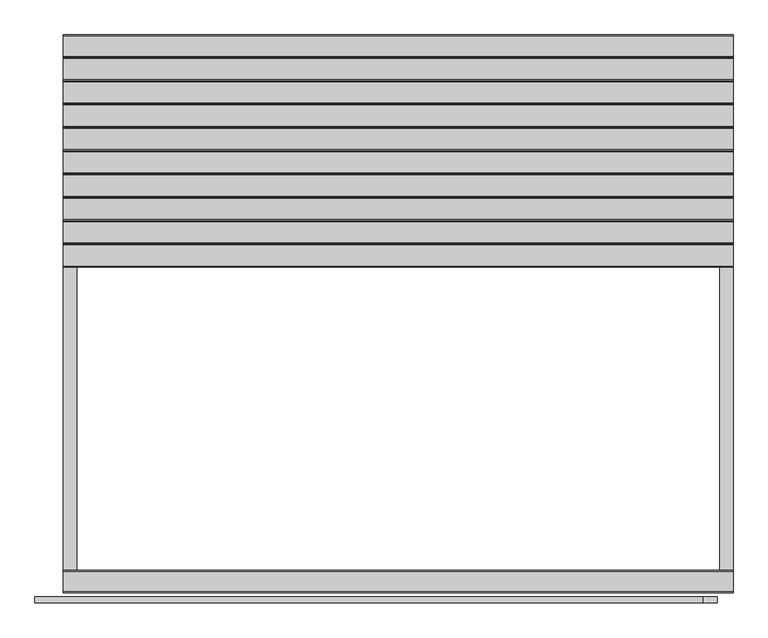
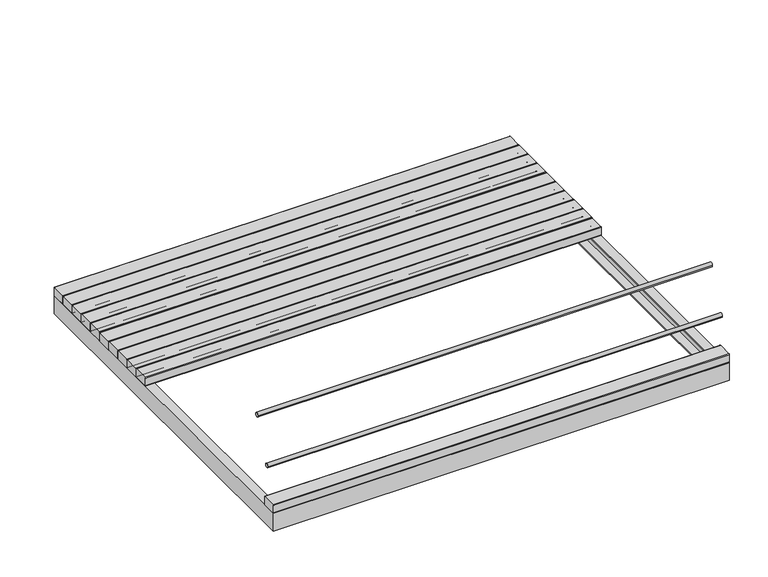
"""IFC4 building model written with IfcOpenShell, lengths in millimetres: furniture geometry."""

from ifc_helpers import new_model, si_unit, point, frame, frame_2d, origin, place, context, project, spatial, circle_curve, trimmed, segment, composite_curve, outline, extrude, faceted_brep, source, transform, mapped, element, save
from ifc_brep_helpers import plane_surface, cylinder_surface, advanced_brep


def furniture_2ef16d3e(model_context):
    return source(origin(), model_context, "Body", "SolidModel", [
        advanced_brep(
        [(1199.9999759, 170.2169348, 172.8), (1199.9999759, 167.2169348, 169.8), (1199.9999759, 167.2169348, 128.3), (1199.9999759, 170.2169348, 125.3), (1199.9999759, 247.7883957, 125.3), (1199.9999759, 250.7821522, 128.2937565), (1199.9999759, 250.7821522, 169.8), (1199.9999759, 247.7821522, 172.8), (-1199.9998, 170.2169348, 172.8), (-1199.9998, 247.7821522, 172.8), (-1199.9998, 250.7821522, 169.8), (-1199.9998, 250.7821522, 128.2937565), (-1199.9998, 247.7883957, 125.3), (-1199.9998, 170.2169348, 125.3), (-1199.9998, 167.2169348, 128.3), (-1199.9998, 167.2169348, 169.8), (-1149.9999759, 170.2169348, 125.3), (1149.9999759, 170.2169348, 125.3), (-1149.9999759, 247.7883957, 125.3), (1149.9999759, 247.7883957, 125.3)],
        [
            (0, 1, circle_curve(frame((1199.9999759, 170.2169348, 169.8), z_axis=(1.0, 0.0, 0.0), x_axis=(0.0, -1.0, 0.0)), 3.0)),
            (1, 2),
            (2, 3, circle_curve(frame((1199.9999759, 170.2169348, 128.3), z_axis=(1.0, 0.0, 0.0), x_axis=(0.0, -1.0, 0.0)), 3.0)),
            (3, 4),
            (4, 5, circle_curve(frame((1199.9999759, 247.7883957, 128.2937565), z_axis=(1.0, 0.0, 0.0), x_axis=(0.0, -1.0, 0.0)), 2.9937565)),
            (5, 6),
            (6, 7, circle_curve(frame((1199.9999759, 247.7821522, 169.8), z_axis=(1.0, 0.0, 0.0), x_axis=(0.0, -1.0, 0.0)), 3.0)),
            (7, 0),
            (8, 9),
            (9, 10, circle_curve(frame((-1199.9998, 247.7821522, 169.8), z_axis=(-1.0, 0.0, 0.0), x_axis=(0.0, -1.0, 0.0)), 3.0)),
            (10, 11),
            (11, 12, circle_curve(frame((-1199.9998, 247.7883957, 128.2937565), z_axis=(-1.0, 0.0, 0.0), x_axis=(0.0, -1.0, 0.0)), 2.9937565)),
            (12, 13),
            (13, 14, circle_curve(frame((-1199.9998, 170.2169348, 128.3), z_axis=(-1.0, 0.0, 0.0), x_axis=(0.0, -1.0, 0.0)), 3.0)),
            (14, 15),
            (15, 8, circle_curve(frame((-1199.9998, 170.2169348, 169.8), z_axis=(-1.0, 0.0, 0.0), x_axis=(0.0, -1.0, 0.0)), 3.0)),
            (0, 8),
            (15, 1),
            (14, 2),
            (13, 16),
            (16, 17),
            (17, 3),
            (12, 18),
            (18, 19),
            (19, 4),
            (11, 5),
            (10, 6),
            (9, 7),
        ],
        [
            plane_surface(frame((1199.9999759, 167.2169348, 169.8), z_axis=(1.0, 0.0, 0.0), x_axis=(0.0, 0.0, -1.0))),
            plane_surface(frame((-1199.9998, 167.2169348, 169.8), z_axis=(-1.0, 0.0, 0.0), x_axis=(0.0, 0.0, 1.0))),
            cylinder_surface(frame((-1199.9998, 170.2169348, 169.8), z_axis=(1.0, 0.0, 0.0), x_axis=(0.0, -1.0, 0.0)), 3.0),
            plane_surface(frame((1199.9999759, 167.2169348, 169.8), z_axis=(0.0, -1.0, 0.0), x_axis=(-1.0, 0.0, 0.0))),
            cylinder_surface(frame((-1199.9998, 170.2169348, 128.3), z_axis=(1.0, 0.0, 0.0), x_axis=(0.0, -1.0, 0.0)), 3.0),
            plane_surface(frame((1199.9999759, 170.2169348, 125.3), z_axis=(0.0, 0.0, -1.0), x_axis=(-1.0, 0.0, 0.0))),
            cylinder_surface(frame((-1199.9998, 247.7883957, 128.2937565), z_axis=(1.0, 0.0, 0.0), x_axis=(0.0, -1.0, 0.0)), 2.9937565),
            plane_surface(frame((1199.9999759, 250.7821522, 128.2937565), z_axis=(0.0, 1.0, 0.0), x_axis=(-1.0, 0.0, 0.0))),
            cylinder_surface(frame((-1199.9998, 247.7821522, 169.8), z_axis=(1.0, 0.0, 0.0), x_axis=(0.0, -1.0, 0.0)), 3.0),
            plane_surface(frame((1199.9999759, 247.7821522, 172.8), z_axis=(0.0, 0.0, 1.0), x_axis=(-1.0, 0.0, 0.0))),
        ],
        [
            (0, [[1, 2, 3, 4, 5, 6, 7, 8]]),
            (1, [[9, 10, 11, 12, 13, 14, 15, 16]]),
            (2, [[-1, 17, -16, 18]]),
            (3, [[-2, -18, -15, 19]]),
            (4, [[-3, -19, -14, 20, 21, 22]]),
            (5, [[-4, -22, -21, -20, -13, 23, 24, 25]]),
            (6, [[-5, -25, -24, -23, -12, 26]]),
            (7, [[-6, -26, -11, 27]]),
            (8, [[-7, -27, -10, 28]]),
            (9, [[-8, -28, -9, -17]]),
        ],
    ),
        advanced_brep(
        [(1199.9999759, 253.7821522, 172.8), (1199.9999759, 250.7821522, 169.8), (1199.9999759, 250.7821522, 128.3), (1199.9999759, 253.7821522, 125.3), (1199.9999759, 331.3536131, 125.3), (1199.9999759, 334.3473696, 128.2937565), (1199.9999759, 334.3473696, 169.8), (1199.9999759, 331.3473696, 172.8), (-1199.9998, 253.7821522, 172.8), (-1199.9998, 331.3473696, 172.8), (-1199.9998, 334.3473696, 169.8), (-1199.9998, 334.3473696, 128.2937565), (-1199.9998, 331.3536131, 125.3), (-1199.9998, 253.7821522, 125.3), (-1199.9998, 250.7821522, 128.3), (-1199.9998, 250.7821522, 169.8), (-1149.9999759, 253.7821522, 125.3), (1149.9999759, 253.7821522, 125.3), (-1149.9999759, 331.3536131, 125.3), (1149.9999759, 331.3536131, 125.3)],
        [
            (0, 1, circle_curve(frame((1199.9999759, 253.7821522, 169.8), z_axis=(1.0, 0.0, 0.0), x_axis=(0.0, -1.0, 0.0)), 3.0)),
            (1, 2),
            (2, 3, circle_curve(frame((1199.9999759, 253.7821522, 128.3), z_axis=(1.0, 0.0, 0.0), x_axis=(0.0, -1.0, 0.0)), 3.0)),
            (3, 4),
            (4, 5, circle_curve(frame((1199.9999759, 331.3536131, 128.2937565), z_axis=(1.0, 0.0, 0.0), x_axis=(0.0, -1.0, 0.0)), 2.9937565)),
            (5, 6),
            (6, 7, circle_curve(frame((1199.9999759, 331.3473696, 169.8), z_axis=(1.0, 0.0, 0.0), x_axis=(0.0, -1.0, 0.0)), 3.0)),
            (7, 0),
            (8, 9),
            (9, 10, circle_curve(frame((-1199.9998, 331.3473696, 169.8), z_axis=(-1.0, 0.0, 0.0), x_axis=(0.0, -1.0, 0.0)), 3.0)),
            (10, 11),
            (11, 12, circle_curve(frame((-1199.9998, 331.3536131, 128.2937565), z_axis=(-1.0, 0.0, 0.0), x_axis=(0.0, -1.0, 0.0)), 2.9937565)),
            (12, 13),
            (13, 14, circle_curve(frame((-1199.9998, 253.7821522, 128.3), z_axis=(-1.0, 0.0, 0.0), x_axis=(0.0, -1.0, 0.0)), 3.0)),
            (14, 15),
            (15, 8, circle_curve(frame((-1199.9998, 253.7821522, 169.8), z_axis=(-1.0, 0.0, 0.0), x_axis=(0.0, -1.0, 0.0)), 3.0)),
            (0, 8),
            (15, 1),
            (14, 2),
            (13, 16),
            (16, 17),
            (17, 3),
            (12, 18),
            (18, 19),
            (19, 4),
            (11, 5),
            (10, 6),
            (9, 7),
        ],
        [
            plane_surface(frame((1199.9999759, 250.7821522, 169.8), z_axis=(1.0, 0.0, 0.0), x_axis=(0.0, 0.0, -1.0))),
            plane_surface(frame((-1199.9998, 250.7821522, 169.8), z_axis=(-1.0, 0.0, 0.0), x_axis=(0.0, 0.0, 1.0))),
            cylinder_surface(frame((-1199.9998, 253.7821522, 169.8), z_axis=(1.0, 0.0, 0.0), x_axis=(0.0, -1.0, 0.0)), 3.0),
            plane_surface(frame((1199.9999759, 250.7821522, 169.8), z_axis=(0.0, -1.0, 0.0), x_axis=(-1.0, 0.0, 0.0))),
            cylinder_surface(frame((-1199.9998, 253.7821522, 128.3), z_axis=(1.0, 0.0, 0.0), x_axis=(0.0, -1.0, 0.0)), 3.0),
            plane_surface(frame((1199.9999759, 253.7821522, 125.3), z_axis=(0.0, 0.0, -1.0), x_axis=(-1.0, 0.0, 0.0))),
            cylinder_surface(frame((-1199.9998, 331.3536131, 128.2937565), z_axis=(1.0, 0.0, 0.0), x_axis=(0.0, -1.0, 0.0)), 2.9937565),
            plane_surface(frame((1199.9999759, 334.3473696, 128.2937565), z_axis=(0.0, 1.0, 0.0), x_axis=(-1.0, 0.0, 0.0))),
            cylinder_surface(frame((-1199.9998, 331.3473696, 169.8), z_axis=(1.0, 0.0, 0.0), x_axis=(0.0, -1.0, 0.0)), 3.0),
            plane_surface(frame((1199.9999759, 331.3473696, 172.8), z_axis=(0.0, 0.0, 1.0), x_axis=(-1.0, 0.0, 0.0))),
        ],
        [
            (0, [[1, 2, 3, 4, 5, 6, 7, 8]]),
            (1, [[9, 10, 11, 12, 13, 14, 15, 16]]),
            (2, [[-1, 17, -16, 18]]),
            (3, [[-2, -18, -15, 19]]),
            (4, [[-3, -19, -14, 20, 21, 22]]),
            (5, [[-4, -22, -21, -20, -13, 23, 24, 25]]),
            (6, [[-5, -25, -24, -23, -12, 26]]),
            (7, [[-6, -26, -11, 27]]),
            (8, [[-7, -27, -10, 28]]),
            (9, [[-8, -28, -9, -17]]),
        ],
    ),
        advanced_brep(
        [(1199.9999759, 337.3473696, 172.8), (1199.9999759, 334.3473696, 169.8), (1199.9999759, 334.3473696, 128.3), (1199.9999759, 337.3473696, 125.3), (1199.9999759, 414.9188305, 125.3), (1199.9999759, 417.912587, 128.2937565), (1199.9999759, 417.912587, 169.8), (1199.9999759, 414.912587, 172.8), (-1199.9998, 337.3473696, 172.8), (-1199.9998, 414.912587, 172.8), (-1199.9998, 417.912587, 169.8), (-1199.9998, 417.912587, 128.2937565), (-1199.9998, 414.9188305, 125.3), (-1199.9998, 337.3473696, 125.3), (-1199.9998, 334.3473696, 128.3), (-1199.9998, 334.3473696, 169.8), (-1149.9999759, 337.3473696, 125.3), (1149.9999759, 337.3473696, 125.3), (-1149.9999759, 414.9188305, 125.3), (1149.9999759, 414.9188305, 125.3)],
        [
            (0, 1, circle_curve(frame((1199.9999759, 337.3473696, 169.8), z_axis=(1.0, 0.0, 0.0), x_axis=(0.0, -1.0, 0.0)), 3.0)),
            (1, 2),
            (2, 3, circle_curve(frame((1199.9999759, 337.3473696, 128.3), z_axis=(1.0, 0.0, 0.0), x_axis=(0.0, -1.0, 0.0)), 3.0)),
            (3, 4),
            (4, 5, circle_curve(frame((1199.9999759, 414.9188305, 128.2937565), z_axis=(1.0, 0.0, 0.0), x_axis=(0.0, -1.0, 0.0)), 2.9937565)),
            (5, 6),
            (6, 7, circle_curve(frame((1199.9999759, 414.912587, 169.8), z_axis=(1.0, 0.0, 0.0), x_axis=(0.0, -1.0, 0.0)), 3.0)),
            (7, 0),
            (8, 9),
            (9, 10, circle_curve(frame((-1199.9998, 414.912587, 169.8), z_axis=(-1.0, 0.0, 0.0), x_axis=(0.0, -1.0, 0.0)), 3.0)),
            (10, 11),
            (11, 12, circle_curve(frame((-1199.9998, 414.9188305, 128.2937565), z_axis=(-1.0, 0.0, 0.0), x_axis=(0.0, -1.0, 0.0)), 2.9937565)),
            (12, 13),
            (13, 14, circle_curve(frame((-1199.9998, 337.3473696, 128.3), z_axis=(-1.0, 0.0, 0.0), x_axis=(0.0, -1.0, 0.0)), 3.0)),
            (14, 15),
            (15, 8, circle_curve(frame((-1199.9998, 337.3473696, 169.8), z_axis=(-1.0, 0.0, 0.0), x_axis=(0.0, -1.0, 0.0)), 3.0)),
            (0, 8),
            (15, 1),
            (14, 2),
            (13, 16),
            (16, 17),
            (17, 3),
            (12, 18),
            (18, 19),
            (19, 4),
            (11, 5),
            (10, 6),
            (9, 7),
        ],
        [
            plane_surface(frame((1199.9999759, 334.3473696, 169.8), z_axis=(1.0, 0.0, 0.0), x_axis=(0.0, 0.0, -1.0))),
            plane_surface(frame((-1199.9998, 334.3473696, 169.8), z_axis=(-1.0, 0.0, 0.0), x_axis=(0.0, 0.0, 1.0))),
            cylinder_surface(frame((-1199.9998, 337.3473696, 169.8), z_axis=(1.0, 0.0, 0.0), x_axis=(0.0, -1.0, 0.0)), 3.0),
            plane_surface(frame((1199.9999759, 334.3473696, 169.8), z_axis=(0.0, -1.0, 0.0), x_axis=(-1.0, 0.0, 0.0))),
            cylinder_surface(frame((-1199.9998, 337.3473696, 128.3), z_axis=(1.0, 0.0, 0.0), x_axis=(0.0, -1.0, 0.0)), 3.0),
            plane_surface(frame((1199.9999759, 337.3473696, 125.3), z_axis=(0.0, 0.0, -1.0), x_axis=(-1.0, 0.0, 0.0))),
            cylinder_surface(frame((-1199.9998, 414.9188305, 128.2937565), z_axis=(1.0, 0.0, 0.0), x_axis=(0.0, -1.0, 0.0)), 2.9937565),
            plane_surface(frame((1199.9999759, 417.912587, 128.2937565), z_axis=(0.0, 1.0, 0.0), x_axis=(-1.0, 0.0, 0.0))),
            cylinder_surface(frame((-1199.9998, 414.912587, 169.8), z_axis=(1.0, 0.0, 0.0), x_axis=(0.0, -1.0, 0.0)), 3.0),
            plane_surface(frame((1199.9999759, 414.912587, 172.8), z_axis=(0.0, 0.0, 1.0), x_axis=(-1.0, 0.0, 0.0))),
        ],
        [
            (0, [[1, 2, 3, 4, 5, 6, 7, 8]]),
            (1, [[9, 10, 11, 12, 13, 14, 15, 16]]),
            (2, [[-1, 17, -16, 18]]),
            (3, [[-2, -18, -15, 19]]),
            (4, [[-3, -19, -14, 20, 21, 22]]),
            (5, [[-4, -22, -21, -20, -13, 23, 24, 25]]),
            (6, [[-5, -25, -24, -23, -12, 26]]),
            (7, [[-6, -26, -11, 27]]),
            (8, [[-7, -27, -10, 28]]),
            (9, [[-8, -28, -9, -17]]),
        ],
    ),
        advanced_brep(
        [(1199.9999759, 420.912587, 172.8), (1199.9999759, 417.912587, 169.8), (1199.9999759, 417.912587, 128.3), (1199.9999759, 420.912587, 125.3), (1199.9999759, 498.4840479, 125.3), (1199.9999759, 501.4778043, 128.2937565), (1199.9999759, 501.4778043, 169.8), (1199.9999759, 498.4778043, 172.8), (-1199.9998, 420.912587, 172.8), (-1199.9998, 498.4778043, 172.8), (-1199.9998, 501.4778043, 169.8), (-1199.9998, 501.4778043, 128.2937565), (-1199.9998, 498.4840479, 125.3), (-1199.9998, 420.912587, 125.3), (-1199.9998, 417.912587, 128.3), (-1199.9998, 417.912587, 169.8), (-1149.9999759, 420.912587, 125.3), (1149.9999759, 420.912587, 125.3), (-1149.9999759, 498.4840479, 125.3), (1149.9999759, 498.4840479, 125.3)],
        [
            (0, 1, circle_curve(frame((1199.9999759, 420.912587, 169.8), z_axis=(1.0, 0.0, 0.0), x_axis=(0.0, -1.0, 0.0)), 3.0)),
            (1, 2),
            (2, 3, circle_curve(frame((1199.9999759, 420.912587, 128.3), z_axis=(1.0, 0.0, 0.0), x_axis=(0.0, -1.0, 0.0)), 3.0)),
            (3, 4),
            (4, 5, circle_curve(frame((1199.9999759, 498.4840479, 128.2937565), z_axis=(1.0, 0.0, 0.0), x_axis=(0.0, -1.0, 0.0)), 2.9937565)),
            (5, 6),
            (6, 7, circle_curve(frame((1199.9999759, 498.4778043, 169.8), z_axis=(1.0, 0.0, 0.0), x_axis=(0.0, -1.0, 0.0)), 3.0)),
            (7, 0),
            (8, 9),
            (9, 10, circle_curve(frame((-1199.9998, 498.4778043, 169.8), z_axis=(-1.0, 0.0, 0.0), x_axis=(0.0, -1.0, 0.0)), 3.0)),
            (10, 11),
            (11, 12, circle_curve(frame((-1199.9998, 498.4840479, 128.2937565), z_axis=(-1.0, 0.0, 0.0), x_axis=(0.0, -1.0, 0.0)), 2.9937565)),
            (12, 13),
            (13, 14, circle_curve(frame((-1199.9998, 420.912587, 128.3), z_axis=(-1.0, 0.0, 0.0), x_axis=(0.0, -1.0, 0.0)), 3.0)),
            (14, 15),
            (15, 8, circle_curve(frame((-1199.9998, 420.912587, 169.8), z_axis=(-1.0, 0.0, 0.0), x_axis=(0.0, -1.0, 0.0)), 3.0)),
            (0, 8),
            (15, 1),
            (14, 2),
            (13, 16),
            (16, 17),
            (17, 3),
            (12, 18),
            (18, 19),
            (19, 4),
            (11, 5),
            (10, 6),
            (9, 7),
        ],
        [
            plane_surface(frame((1199.9999759, 417.912587, 169.8), z_axis=(1.0, 0.0, 0.0), x_axis=(0.0, 0.0, -1.0))),
            plane_surface(frame((-1199.9998, 417.912587, 169.8), z_axis=(-1.0, 0.0, 0.0), x_axis=(0.0, 0.0, 1.0))),
            cylinder_surface(frame((-1199.9998, 420.912587, 169.8), z_axis=(1.0, 0.0, 0.0), x_axis=(0.0, -1.0, 0.0)), 3.0),
            plane_surface(frame((1199.9999759, 417.912587, 169.8), z_axis=(0.0, -1.0, 0.0), x_axis=(-1.0, 0.0, 0.0))),
            cylinder_surface(frame((-1199.9998, 420.912587, 128.3), z_axis=(1.0, 0.0, 0.0), x_axis=(0.0, -1.0, 0.0)), 3.0),
            plane_surface(frame((1199.9999759, 420.912587, 125.3), z_axis=(0.0, 0.0, -1.0), x_axis=(-1.0, 0.0, 0.0))),
            cylinder_surface(frame((-1199.9998, 498.4840479, 128.2937565), z_axis=(1.0, 0.0, 0.0), x_axis=(0.0, -1.0, 0.0)), 2.9937565),
            plane_surface(frame((1199.9999759, 501.4778043, 128.2937565), z_axis=(0.0, 1.0, 0.0), x_axis=(-1.0, 0.0, 0.0))),
            cylinder_surface(frame((-1199.9998, 498.4778043, 169.8), z_axis=(1.0, 0.0, 0.0), x_axis=(0.0, -1.0, 0.0)), 3.0),
            plane_surface(frame((1199.9999759, 498.4778043, 172.8), z_axis=(0.0, 0.0, 1.0), x_axis=(-1.0, 0.0, 0.0))),
        ],
        [
            (0, [[1, 2, 3, 4, 5, 6, 7, 8]]),
            (1, [[9, 10, 11, 12, 13, 14, 15, 16]]),
            (2, [[-1, 17, -16, 18]]),
            (3, [[-2, -18, -15, 19]]),
            (4, [[-3, -19, -14, 20, 21, 22]]),
            (5, [[-4, -22, -21, -20, -13, 23, 24, 25]]),
            (6, [[-5, -25, -24, -23, -12, 26]]),
            (7, [[-6, -26, -11, 27]]),
            (8, [[-7, -27, -10, 28]]),
            (9, [[-8, -28, -9, -17]]),
        ],
    ),
        advanced_brep(
        [(1199.9999759, 504.4778043, 172.8), (1199.9999759, 501.4778043, 169.8), (1199.9999759, 501.4778043, 128.3), (1199.9999759, 504.4778043, 125.3), (1199.9999759, 582.0492653, 125.3), (1199.9999759, 585.0430217, 128.2937565), (1199.9999759, 585.0430217, 169.8), (1199.9999759, 582.0430217, 172.8), (-1199.9998, 504.4778043, 172.8), (-1199.9998, 582.0430217, 172.8), (-1199.9998, 585.0430217, 169.8), (-1199.9998, 585.0430217, 128.2937565), (-1199.9998, 582.0492653, 125.3), (-1199.9998, 504.4778043, 125.3), (-1199.9998, 501.4778043, 128.3), (-1199.9998, 501.4778043, 169.8), (-1149.9999759, 504.4778043, 125.3), (1149.9999759, 504.4778043, 125.3), (-1149.9999759, 582.0492653, 125.3), (1149.9999759, 582.0492653, 125.3)],
        [
            (0, 1, circle_curve(frame((1199.9999759, 504.4778043, 169.8), z_axis=(1.0, 0.0, 0.0), x_axis=(0.0, -1.0, 0.0)), 3.0)),
            (1, 2),
            (2, 3, circle_curve(frame((1199.9999759, 504.4778043, 128.3), z_axis=(1.0, 0.0, 0.0), x_axis=(0.0, -1.0, 0.0)), 3.0)),
            (3, 4),
            (4, 5, circle_curve(frame((1199.9999759, 582.0492653, 128.2937565), z_axis=(1.0, 0.0, 0.0), x_axis=(0.0, -1.0, 0.0)), 2.9937565)),
            (5, 6),
            (6, 7, circle_curve(frame((1199.9999759, 582.0430217, 169.8), z_axis=(1.0, 0.0, 0.0), x_axis=(0.0, -1.0, 0.0)), 3.0)),
            (7, 0),
            (8, 9),
            (9, 10, circle_curve(frame((-1199.9998, 582.0430217, 169.8), z_axis=(-1.0, 0.0, 0.0), x_axis=(0.0, -1.0, 0.0)), 3.0)),
            (10, 11),
            (11, 12, circle_curve(frame((-1199.9998, 582.0492653, 128.2937565), z_axis=(-1.0, 0.0, 0.0), x_axis=(0.0, -1.0, 0.0)), 2.9937565)),
            (12, 13),
            (13, 14, circle_curve(frame((-1199.9998, 504.4778043, 128.3), z_axis=(-1.0, 0.0, 0.0), x_axis=(0.0, -1.0, 0.0)), 3.0)),
            (14, 15),
            (15, 8, circle_curve(frame((-1199.9998, 504.4778043, 169.8), z_axis=(-1.0, 0.0, 0.0), x_axis=(0.0, -1.0, 0.0)), 3.0)),
            (0, 8),
            (15, 1),
            (14, 2),
            (13, 16),
            (16, 17),
            (17, 3),
            (12, 18),
            (18, 19),
            (19, 4),
            (11, 5),
            (10, 6),
            (9, 7),
        ],
        [
            plane_surface(frame((1199.9999759, 501.4778043, 169.8), z_axis=(1.0, 0.0, 0.0), x_axis=(0.0, 0.0, -1.0))),
            plane_surface(frame((-1199.9998, 501.4778043, 169.8), z_axis=(-1.0, 0.0, 0.0), x_axis=(0.0, 0.0, 1.0))),
            cylinder_surface(frame((-1199.9998, 504.4778043, 169.8), z_axis=(1.0, 0.0, 0.0), x_axis=(0.0, -1.0, 0.0)), 3.0),
            plane_surface(frame((1199.9999759, 501.4778043, 169.8), z_axis=(0.0, -1.0, 0.0), x_axis=(-1.0, 0.0, 0.0))),
            cylinder_surface(frame((-1199.9998, 504.4778043, 128.3), z_axis=(1.0, 0.0, 0.0), x_axis=(0.0, -1.0, 0.0)), 3.0),
            plane_surface(frame((1199.9999759, 504.4778043, 125.3), z_axis=(0.0, 0.0, -1.0), x_axis=(-1.0, 0.0, 0.0))),
            cylinder_surface(frame((-1199.9998, 582.0492653, 128.2937565), z_axis=(1.0, 0.0, 0.0), x_axis=(0.0, -1.0, 0.0)), 2.9937565),
            plane_surface(frame((1199.9999759, 585.0430217, 128.2937565), z_axis=(0.0, 1.0, 0.0), x_axis=(-1.0, 0.0, 0.0))),
            cylinder_surface(frame((-1199.9998, 582.0430217, 169.8), z_axis=(1.0, 0.0, 0.0), x_axis=(0.0, -1.0, 0.0)), 3.0),
            plane_surface(frame((1199.9999759, 582.0430217, 172.8), z_axis=(0.0, 0.0, 1.0), x_axis=(-1.0, 0.0, 0.0))),
        ],
        [
            (0, [[1, 2, 3, 4, 5, 6, 7, 8]]),
            (1, [[9, 10, 11, 12, 13, 14, 15, 16]]),
            (2, [[-1, 17, -16, 18]]),
            (3, [[-2, -18, -15, 19]]),
            (4, [[-3, -19, -14, 20, 21, 22]]),
            (5, [[-4, -22, -21, -20, -13, 23, 24, 25]]),
            (6, [[-5, -25, -24, -23, -12, 26]]),
            (7, [[-6, -26, -11, 27]]),
            (8, [[-7, -27, -10, 28]]),
            (9, [[-8, -28, -9, -17]]),
        ],
    ),
        advanced_brep(
        [(1199.9999759, 588.0430217, 172.8), (1199.9999759, 585.0430217, 169.8), (1199.9999759, 585.0430217, 128.3), (1199.9999759, 588.0430217, 125.3), (1199.9999759, 665.6144826, 125.3), (1199.9999759, 668.6082391, 128.2937565), (1199.9999759, 668.6082391, 169.8), (1199.9999759, 665.6082391, 172.8), (-1199.9998, 588.0430217, 172.8), (-1199.9998, 665.6082391, 172.8), (-1199.9998, 668.6082391, 169.8), (-1199.9998, 668.6082391, 128.2937565), (-1199.9998, 665.6144826, 125.3), (-1199.9998, 588.0430217, 125.3), (-1199.9998, 585.0430217, 128.3), (-1199.9998, 585.0430217, 169.8), (-1149.9999759, 588.0430217, 125.3), (1149.9999759, 588.0430217, 125.3), (-1149.9999759, 665.6144826, 125.3), (1149.9999759, 665.6144826, 125.3)],
        [
            (0, 1, circle_curve(frame((1199.9999759, 588.0430217, 169.8), z_axis=(1.0, 0.0, 0.0), x_axis=(0.0, -1.0, 0.0)), 3.0)),
            (1, 2),
            (2, 3, circle_curve(frame((1199.9999759, 588.0430217, 128.3), z_axis=(1.0, 0.0, 0.0), x_axis=(0.0, -1.0, 0.0)), 3.0)),
            (3, 4),
            (4, 5, circle_curve(frame((1199.9999759, 665.6144826, 128.2937565), z_axis=(1.0, 0.0, 0.0), x_axis=(0.0, -1.0, 0.0)), 2.9937565)),
            (5, 6),
            (6, 7, circle_curve(frame((1199.9999759, 665.6082391, 169.8), z_axis=(1.0, 0.0, 0.0), x_axis=(0.0, -1.0, 0.0)), 3.0)),
            (7, 0),
            (8, 9),
            (9, 10, circle_curve(frame((-1199.9998, 665.6082391, 169.8), z_axis=(-1.0, 0.0, 0.0), x_axis=(0.0, -1.0, 0.0)), 3.0)),
            (10, 11),
            (11, 12, circle_curve(frame((-1199.9998, 665.6144826, 128.2937565), z_axis=(-1.0, 0.0, 0.0), x_axis=(0.0, -1.0, 0.0)), 2.9937565)),
            (12, 13),
            (13, 14, circle_curve(frame((-1199.9998, 588.0430217, 128.3), z_axis=(-1.0, 0.0, 0.0), x_axis=(0.0, -1.0, 0.0)), 3.0)),
            (14, 15),
            (15, 8, circle_curve(frame((-1199.9998, 588.0430217, 169.8), z_axis=(-1.0, 0.0, 0.0), x_axis=(0.0, -1.0, 0.0)), 3.0)),
            (0, 8),
            (15, 1),
            (14, 2),
            (13, 16),
            (16, 17),
            (17, 3),
            (12, 18),
            (18, 19),
            (19, 4),
            (11, 5),
            (10, 6),
            (9, 7),
        ],
        [
            plane_surface(frame((1199.9999759, 585.0430217, 169.8), z_axis=(1.0, 0.0, 0.0), x_axis=(0.0, 0.0, -1.0))),
            plane_surface(frame((-1199.9998, 585.0430217, 169.8), z_axis=(-1.0, 0.0, 0.0), x_axis=(0.0, 0.0, 1.0))),
            cylinder_surface(frame((-1199.9998, 588.0430217, 169.8), z_axis=(1.0, 0.0, 0.0), x_axis=(0.0, -1.0, 0.0)), 3.0),
            plane_surface(frame((1199.9999759, 585.0430217, 169.8), z_axis=(0.0, -1.0, 0.0), x_axis=(-1.0, 0.0, 0.0))),
            cylinder_surface(frame((-1199.9998, 588.0430217, 128.3), z_axis=(1.0, 0.0, 0.0), x_axis=(0.0, -1.0, 0.0)), 3.0),
            plane_surface(frame((1199.9999759, 588.0430217, 125.3), z_axis=(0.0, 0.0, -1.0), x_axis=(-1.0, 0.0, 0.0))),
            cylinder_surface(frame((-1199.9998, 665.6144826, 128.2937565), z_axis=(1.0, 0.0, 0.0), x_axis=(0.0, -1.0, 0.0)), 2.9937565),
            plane_surface(frame((1199.9999759, 668.6082391, 128.2937565), z_axis=(0.0, 1.0, 0.0), x_axis=(-1.0, 0.0, 0.0))),
            cylinder_surface(frame((-1199.9998, 665.6082391, 169.8), z_axis=(1.0, 0.0, 0.0), x_axis=(0.0, -1.0, 0.0)), 3.0),
            plane_surface(frame((1199.9999759, 665.6082391, 172.8), z_axis=(0.0, 0.0, 1.0), x_axis=(-1.0, 0.0, 0.0))),
        ],
        [
            (0, [[1, 2, 3, 4, 5, 6, 7, 8]]),
            (1, [[9, 10, 11, 12, 13, 14, 15, 16]]),
            (2, [[-1, 17, -16, 18]]),
            (3, [[-2, -18, -15, 19]]),
            (4, [[-3, -19, -14, 20, 21, 22]]),
            (5, [[-4, -22, -21, -20, -13, 23, 24, 25]]),
            (6, [[-5, -25, -24, -23, -12, 26]]),
            (7, [[-6, -26, -11, 27]]),
            (8, [[-7, -27, -10, 28]]),
            (9, [[-8, -28, -9, -17]]),
        ],
    ),
        advanced_brep(
        [(1199.9999759, 671.6082391, 172.8), (1199.9999759, 668.6082391, 169.8), (1199.9999759, 668.6082391, 128.3), (1199.9999759, 671.6082391, 125.3), (1199.9999759, 749.1797, 125.3), (1199.9999759, 752.1734565, 128.2937565), (1199.9999759, 752.1734565, 169.8), (1199.9999759, 749.1734565, 172.8), (-1199.9998, 671.6082391, 172.8), (-1199.9998, 749.1734565, 172.8), (-1199.9998, 752.1734565, 169.8), (-1199.9998, 752.1734565, 128.2937565), (-1199.9998, 749.1797, 125.3), (-1199.9998, 671.6082391, 125.3), (-1199.9998, 668.6082391, 128.3), (-1199.9998, 668.6082391, 169.8), (-1149.9999759, 671.6082391, 125.3), (1149.9999759, 671.6082391, 125.3), (-1149.9999759, 749.1797, 125.3), (1149.9999759, 749.1797, 125.3)],
        [
            (0, 1, circle_curve(frame((1199.9999759, 671.6082391, 169.8), z_axis=(1.0, 0.0, 0.0), x_axis=(0.0, -1.0, 0.0)), 3.0)),
            (1, 2),
            (2, 3, circle_curve(frame((1199.9999759, 671.6082391, 128.3), z_axis=(1.0, 0.0, 0.0), x_axis=(0.0, -1.0, 0.0)), 3.0)),
            (3, 4),
            (4, 5, circle_curve(frame((1199.9999759, 749.1797, 128.2937565), z_axis=(1.0, 0.0, 0.0), x_axis=(0.0, -1.0, 0.0)), 2.9937565)),
            (5, 6),
            (6, 7, circle_curve(frame((1199.9999759, 749.1734565, 169.8), z_axis=(1.0, 0.0, 0.0), x_axis=(0.0, -1.0, 0.0)), 3.0)),
            (7, 0),
            (8, 9),
            (9, 10, circle_curve(frame((-1199.9998, 749.1734565, 169.8), z_axis=(-1.0, 0.0, 0.0), x_axis=(0.0, -1.0, 0.0)), 3.0)),
            (10, 11),
            (11, 12, circle_curve(frame((-1199.9998, 749.1797, 128.2937565), z_axis=(-1.0, 0.0, 0.0), x_axis=(0.0, -1.0, 0.0)), 2.9937565)),
            (12, 13),
            (13, 14, circle_curve(frame((-1199.9998, 671.6082391, 128.3), z_axis=(-1.0, 0.0, 0.0), x_axis=(0.0, -1.0, 0.0)), 3.0)),
            (14, 15),
            (15, 8, circle_curve(frame((-1199.9998, 671.6082391, 169.8), z_axis=(-1.0, 0.0, 0.0), x_axis=(0.0, -1.0, 0.0)), 3.0)),
            (0, 8),
            (15, 1),
            (14, 2),
            (13, 16),
            (16, 17),
            (17, 3),
            (12, 18),
            (18, 19),
            (19, 4),
            (11, 5),
            (10, 6),
            (9, 7),
        ],
        [
            plane_surface(frame((1199.9999759, 668.6082391, 169.8), z_axis=(1.0, 0.0, 0.0), x_axis=(0.0, 0.0, -1.0))),
            plane_surface(frame((-1199.9998, 668.6082391, 169.8), z_axis=(-1.0, 0.0, 0.0), x_axis=(0.0, 0.0, 1.0))),
            cylinder_surface(frame((-1199.9998, 671.6082391, 169.8), z_axis=(1.0, 0.0, 0.0), x_axis=(0.0, -1.0, 0.0)), 3.0),
            plane_surface(frame((1199.9999759, 668.6082391, 169.8), z_axis=(0.0, -1.0, 0.0), x_axis=(-1.0, 0.0, 0.0))),
            cylinder_surface(frame((-1199.9998, 671.6082391, 128.3), z_axis=(1.0, 0.0, 0.0), x_axis=(0.0, -1.0, 0.0)), 3.0),
            plane_surface(frame((1199.9999759, 671.6082391, 125.3), z_axis=(0.0, 0.0, -1.0), x_axis=(-1.0, 0.0, 0.0))),
            cylinder_surface(frame((-1199.9998, 749.1797, 128.2937565), z_axis=(1.0, 0.0, 0.0), x_axis=(0.0, -1.0, 0.0)), 2.9937565),
            plane_surface(frame((1199.9999759, 752.1734565, 128.2937565), z_axis=(0.0, 1.0, 0.0), x_axis=(-1.0, 0.0, 0.0))),
            cylinder_surface(frame((-1199.9998, 749.1734565, 169.8), z_axis=(1.0, 0.0, 0.0), x_axis=(0.0, -1.0, 0.0)), 3.0),
            plane_surface(frame((1199.9999759, 749.1734565, 172.8), z_axis=(0.0, 0.0, 1.0), x_axis=(-1.0, 0.0, 0.0))),
        ],
        [
            (0, [[1, 2, 3, 4, 5, 6, 7, 8]]),
            (1, [[9, 10, 11, 12, 13, 14, 15, 16]]),
            (2, [[-1, 17, -16, 18]]),
            (3, [[-2, -18, -15, 19]]),
            (4, [[-3, -19, -14, 20, 21, 22]]),
            (5, [[-4, -22, -21, -20, -13, 23, 24, 25]]),
            (6, [[-5, -25, -24, -23, -12, 26]]),
            (7, [[-6, -26, -11, 27]]),
            (8, [[-7, -27, -10, 28]]),
            (9, [[-8, -28, -9, -17]]),
        ],
    ),
        advanced_brep(
        [(1199.9999759, 755.1734565, 172.8), (1199.9999759, 752.1734565, 169.8), (1199.9999759, 752.1734565, 128.3), (1199.9999759, 755.1734565, 125.3), (1199.9999759, 832.7449174, 125.3), (1199.9999759, 835.7386739, 128.2937565), (1199.9999759, 835.7386739, 169.8), (1199.9999759, 832.7386739, 172.8), (-1199.9998, 755.1734565, 172.8), (-1199.9998, 832.7386739, 172.8), (-1199.9998, 835.7386739, 169.8), (-1199.9998, 835.7386739, 128.2937565), (-1199.9998, 832.7449174, 125.3), (-1199.9998, 755.1734565, 125.3), (-1199.9998, 752.1734565, 128.3), (-1199.9998, 752.1734565, 169.8), (-1149.9999759, 755.1734565, 125.3), (1149.9999759, 755.1734565, 125.3), (-1149.9999759, 832.7449174, 125.3), (1149.9999759, 832.7449174, 125.3)],
        [
            (0, 1, circle_curve(frame((1199.9999759, 755.1734565, 169.8), z_axis=(1.0, 0.0, 0.0), x_axis=(0.0, -1.0, 0.0)), 3.0)),
            (1, 2),
            (2, 3, circle_curve(frame((1199.9999759, 755.1734565, 128.3), z_axis=(1.0, 0.0, 0.0), x_axis=(0.0, -1.0, 0.0)), 3.0)),
            (3, 4),
            (4, 5, circle_curve(frame((1199.9999759, 832.7449174, 128.2937565), z_axis=(1.0, 0.0, 0.0), x_axis=(0.0, -1.0, 0.0)), 2.9937565)),
            (5, 6),
            (6, 7, circle_curve(frame((1199.9999759, 832.7386739, 169.8), z_axis=(1.0, 0.0, 0.0), x_axis=(0.0, -1.0, 0.0)), 3.0)),
            (7, 0),
            (8, 9),
            (9, 10, circle_curve(frame((-1199.9998, 832.7386739, 169.8), z_axis=(-1.0, 0.0, 0.0), x_axis=(0.0, -1.0, 0.0)), 3.0)),
            (10, 11),
            (11, 12, circle_curve(frame((-1199.9998, 832.7449174, 128.2937565), z_axis=(-1.0, 0.0, 0.0), x_axis=(0.0, -1.0, 0.0)), 2.9937565)),
            (12, 13),
            (13, 14, circle_curve(frame((-1199.9998, 755.1734565, 128.3), z_axis=(-1.0, 0.0, 0.0), x_axis=(0.0, -1.0, 0.0)), 3.0)),
            (14, 15),
            (15, 8, circle_curve(frame((-1199.9998, 755.1734565, 169.8), z_axis=(-1.0, 0.0, 0.0), x_axis=(0.0, -1.0, 0.0)), 3.0)),
            (0, 8),
            (15, 1),
            (14, 2),
            (13, 16),
            (16, 17),
            (17, 3),
            (12, 18),
            (18, 19),
            (19, 4),
            (11, 5),
            (10, 6),
            (9, 7),
        ],
        [
            plane_surface(frame((1199.9999759, 752.1734565, 169.8), z_axis=(1.0, 0.0, 0.0), x_axis=(0.0, 0.0, -1.0))),
            plane_surface(frame((-1199.9998, 752.1734565, 169.8), z_axis=(-1.0, 0.0, 0.0), x_axis=(0.0, 0.0, 1.0))),
            cylinder_surface(frame((-1199.9998, 755.1734565, 169.8), z_axis=(1.0, 0.0, 0.0), x_axis=(0.0, -1.0, 0.0)), 3.0),
            plane_surface(frame((1199.9999759, 752.1734565, 169.8), z_axis=(0.0, -1.0, 0.0), x_axis=(-1.0, 0.0, 0.0))),
            cylinder_surface(frame((-1199.9998, 755.1734565, 128.3), z_axis=(1.0, 0.0, 0.0), x_axis=(0.0, -1.0, 0.0)), 3.0),
            plane_surface(frame((1199.9999759, 755.1734565, 125.3), z_axis=(0.0, 0.0, -1.0), x_axis=(-1.0, 0.0, 0.0))),
            cylinder_surface(frame((-1199.9998, 832.7449174, 128.2937565), z_axis=(1.0, 0.0, 0.0), x_axis=(0.0, -1.0, 0.0)), 2.9937565),
            plane_surface(frame((1199.9999759, 835.7386739, 128.2937565), z_axis=(0.0, 1.0, 0.0), x_axis=(-1.0, 0.0, 0.0))),
            cylinder_surface(frame((-1199.9998, 832.7386739, 169.8), z_axis=(1.0, 0.0, 0.0), x_axis=(0.0, -1.0, 0.0)), 3.0),
            plane_surface(frame((1199.9999759, 832.7386739, 172.8), z_axis=(0.0, 0.0, 1.0), x_axis=(-1.0, 0.0, 0.0))),
        ],
        [
            (0, [[1, 2, 3, 4, 5, 6, 7, 8]]),
            (1, [[9, 10, 11, 12, 13, 14, 15, 16]]),
            (2, [[-1, 17, -16, 18]]),
            (3, [[-2, -18, -15, 19]]),
            (4, [[-3, -19, -14, 20, 21, 22]]),
            (5, [[-4, -22, -21, -20, -13, 23, 24, 25]]),
            (6, [[-5, -25, -24, -23, -12, 26]]),
            (7, [[-6, -26, -11, 27]]),
            (8, [[-7, -27, -10, 28]]),
            (9, [[-8, -28, -9, -17]]),
        ],
    ),
        advanced_brep(
        [(1199.9999759, -997.0129851, 172.8), (1199.9999759, -1000.0129851, 169.8), (1199.9999759, -1000.0129851, 128.3), (1199.9999759, -997.0129851, 125.3), (1199.9999759, -922.1246478, 125.3), (1199.9999759, -919.1308913, 128.2937565), (1199.9999759, -919.1308913, 169.8), (1199.9999759, -922.1308913, 172.8), (-1199.9998, -997.0129851, 172.8), (-1199.9998, -922.1308913, 172.8), (-1199.9998, -919.1308913, 169.8), (-1199.9998, -919.1308913, 128.2937565), (-1199.9998, -922.1246478, 125.3), (-1199.9998, -997.0129851, 125.3), (-1199.9998, -1000.0129851, 128.3), (-1199.9998, -1000.0129851, 169.8), (-1149.9999759, -922.1246478, 125.3), (1149.9999759, -922.1246478, 125.3)],
        [
            (0, 1, circle_curve(frame((1199.9999759, -997.0129851, 169.8), z_axis=(1.0, 0.0, 0.0), x_axis=(0.0, -1.0, 0.0)), 3.0)),
            (1, 2),
            (2, 3, circle_curve(frame((1199.9999759, -997.0129851, 128.3), z_axis=(1.0, 0.0, 0.0), x_axis=(0.0, -1.0, 0.0)), 3.0)),
            (3, 4),
            (4, 5, circle_curve(frame((1199.9999759, -922.1246478, 128.2937565), z_axis=(1.0, 0.0, 0.0), x_axis=(0.0, -1.0, 0.0)), 2.9937565)),
            (5, 6),
            (6, 7, circle_curve(frame((1199.9999759, -922.1308913, 169.8), z_axis=(1.0, 0.0, 0.0), x_axis=(0.0, -1.0, 0.0)), 3.0)),
            (7, 0),
            (8, 9),
            (9, 10, circle_curve(frame((-1199.9998, -922.1308913, 169.8), z_axis=(-1.0, 0.0, 0.0), x_axis=(0.0, -1.0, 0.0)), 3.0)),
            (10, 11),
            (11, 12, circle_curve(frame((-1199.9998, -922.1246478, 128.2937565), z_axis=(-1.0, 0.0, 0.0), x_axis=(0.0, -1.0, 0.0)), 2.9937565)),
            (12, 13),
            (13, 14, circle_curve(frame((-1199.9998, -997.0129851, 128.3), z_axis=(-1.0, 0.0, 0.0), x_axis=(0.0, -1.0, 0.0)), 3.0)),
            (14, 15),
            (15, 8, circle_curve(frame((-1199.9998, -997.0129851, 169.8), z_axis=(-1.0, 0.0, 0.0), x_axis=(0.0, -1.0, 0.0)), 3.0)),
            (0, 8),
            (15, 1),
            (14, 2),
            (13, 3),
            (12, 16),
            (16, 17),
            (17, 4),
            (11, 5),
            (10, 6),
            (9, 7),
        ],
        [
            plane_surface(frame((1199.9999759, -1000.0129851, 169.8), z_axis=(1.0, 0.0, 0.0), x_axis=(0.0, 0.0, -1.0))),
            plane_surface(frame((-1199.9998, -1000.0129851, 169.8), z_axis=(-1.0, 0.0, 0.0), x_axis=(0.0, 0.0, 1.0))),
            cylinder_surface(frame((-1199.9998, -997.0129851, 169.8), z_axis=(1.0, 0.0, 0.0), x_axis=(0.0, -1.0, 0.0)), 3.0),
            plane_surface(frame((1199.9999759, -1000.0129851, 169.8), z_axis=(0.0, -1.0, 0.0), x_axis=(-1.0, 0.0, 0.0))),
            cylinder_surface(frame((-1199.9998, -997.0129851, 128.3), z_axis=(1.0, 0.0, 0.0), x_axis=(0.0, -1.0, 0.0)), 3.0),
            plane_surface(frame((1199.9999759, -997.0129851, 125.3), z_axis=(0.0, 0.0, -1.0), x_axis=(-1.0, 0.0, 0.0))),
            cylinder_surface(frame((-1199.9998, -922.1246478, 128.2937565), z_axis=(1.0, 0.0, 0.0), x_axis=(0.0, -1.0, 0.0)), 2.9937565),
            plane_surface(frame((1199.9999759, -919.1308913, 128.2937565), z_axis=(0.0, 1.0, 0.0), x_axis=(-1.0, 0.0, 0.0))),
            cylinder_surface(frame((-1199.9998, -922.1308913, 169.8), z_axis=(1.0, 0.0, 0.0), x_axis=(0.0, -1.0, 0.0)), 3.0),
            plane_surface(frame((1199.9999759, -922.1308913, 172.8), z_axis=(0.0, 0.0, 1.0), x_axis=(-1.0, 0.0, 0.0))),
        ],
        [
            (0, [[1, 2, 3, 4, 5, 6, 7, 8]]),
            (1, [[9, 10, 11, 12, 13, 14, 15, 16]]),
            (2, [[-1, 17, -16, 18]]),
            (3, [[-2, -18, -15, 19]]),
            (4, [[-3, -19, -14, 20]]),
            (5, [[-4, -20, -13, 21, 22, 23]]),
            (6, [[-5, -23, -22, -21, -12, 24]]),
            (7, [[-6, -24, -11, 25]]),
            (8, [[-7, -25, -10, 26]]),
            (9, [[-8, -26, -9, -17]]),
        ],
    ),
        advanced_brep(
        [(1199.9999759, 838.7386739, 172.8), (1199.9999759, 835.7386739, 169.8), (1199.9999759, 835.7386739, 128.3), (1199.9999759, 838.7386739, 125.3), (1199.9999759, 916.3101348, 125.3), (1199.9999759, 919.3038913, 128.2937565), (1199.9999759, 919.3038913, 169.8), (1199.9999759, 916.3038913, 172.8), (-1199.9998, 838.7386739, 172.8), (-1199.9998, 916.3038913, 172.8), (-1199.9998, 919.3038913, 169.8), (-1199.9998, 919.3038913, 128.2937565), (-1199.9998, 916.3101348, 125.3), (-1199.9998, 838.7386739, 125.3), (-1199.9998, 835.7386739, 128.3), (-1199.9998, 835.7386739, 169.8), (-1149.9999759, 838.7386739, 125.3), (1149.9999759, 838.7386739, 125.3), (-1149.9999759, 916.3101348, 125.3), (1149.9999759, 916.3101348, 125.3)],
        [
            (0, 1, circle_curve(frame((1199.9999759, 838.7386739, 169.8), z_axis=(1.0, 0.0, 0.0), x_axis=(0.0, -1.0, 0.0)), 3.0)),
            (1, 2),
            (2, 3, circle_curve(frame((1199.9999759, 838.7386739, 128.3), z_axis=(1.0, 0.0, 0.0), x_axis=(0.0, -1.0, 0.0)), 3.0)),
            (3, 4),
            (4, 5, circle_curve(frame((1199.9999759, 916.3101348, 128.2937565), z_axis=(1.0, 0.0, 0.0), x_axis=(0.0, -1.0, 0.0)), 2.9937565)),
            (5, 6),
            (6, 7, circle_curve(frame((1199.9999759, 916.3038913, 169.8), z_axis=(1.0, 0.0, 0.0), x_axis=(0.0, -1.0, 0.0)), 3.0)),
            (7, 0),
            (8, 9),
            (9, 10, circle_curve(frame((-1199.9998, 916.3038913, 169.8), z_axis=(-1.0, 0.0, 0.0), x_axis=(0.0, -1.0, 0.0)), 3.0)),
            (10, 11),
            (11, 12, circle_curve(frame((-1199.9998, 916.3101348, 128.2937565), z_axis=(-1.0, 0.0, 0.0), x_axis=(0.0, -1.0, 0.0)), 2.9937565)),
            (12, 13),
            (13, 14, circle_curve(frame((-1199.9998, 838.7386739, 128.3), z_axis=(-1.0, 0.0, 0.0), x_axis=(0.0, -1.0, 0.0)), 3.0)),
            (14, 15),
            (15, 8, circle_curve(frame((-1199.9998, 838.7386739, 169.8), z_axis=(-1.0, 0.0, 0.0), x_axis=(0.0, -1.0, 0.0)), 3.0)),
            (0, 8),
            (15, 1),
            (14, 2),
            (13, 16),
            (16, 17),
            (17, 3),
            (12, 18),
            (18, 19),
            (19, 4),
            (11, 5),
            (10, 6),
            (9, 7),
        ],
        [
            plane_surface(frame((1199.9999759, 835.7386739, 169.8), z_axis=(1.0, 0.0, 0.0), x_axis=(0.0, 0.0, -1.0))),
            plane_surface(frame((-1199.9998, 835.7386739, 169.8), z_axis=(-1.0, 0.0, 0.0), x_axis=(0.0, 0.0, 1.0))),
            cylinder_surface(frame((-1199.9998, 838.7386739, 169.8), z_axis=(1.0, 0.0, 0.0), x_axis=(0.0, -1.0, 0.0)), 3.0),
            plane_surface(frame((1199.9999759, 835.7386739, 169.8), z_axis=(0.0, -1.0, 0.0), x_axis=(-1.0, 0.0, 0.0))),
            cylinder_surface(frame((-1199.9998, 838.7386739, 128.3), z_axis=(1.0, 0.0, 0.0), x_axis=(0.0, -1.0, 0.0)), 3.0),
            plane_surface(frame((1199.9999759, 838.7386739, 125.3), z_axis=(0.0, 0.0, -1.0), x_axis=(-1.0, 0.0, 0.0))),
            cylinder_surface(frame((-1199.9998, 916.3101348, 128.2937565), z_axis=(1.0, 0.0, 0.0), x_axis=(0.0, -1.0, 0.0)), 2.9937565),
            plane_surface(frame((1199.9999759, 919.3038913, 128.2937565), z_axis=(0.0, 1.0, 0.0), x_axis=(-1.0, 0.0, 0.0))),
            cylinder_surface(frame((-1199.9998, 916.3038913, 169.8), z_axis=(1.0, 0.0, 0.0), x_axis=(0.0, -1.0, 0.0)), 3.0),
            plane_surface(frame((1199.9999759, 916.3038913, 172.8), z_axis=(0.0, 0.0, 1.0), x_axis=(-1.0, 0.0, 0.0))),
        ],
        [
            (0, [[1, 2, 3, 4, 5, 6, 7, 8]]),
            (1, [[9, 10, 11, 12, 13, 14, 15, 16]]),
            (2, [[-1, 17, -16, 18]]),
            (3, [[-2, -18, -15, 19]]),
            (4, [[-3, -19, -14, 20, 21, 22]]),
            (5, [[-4, -22, -21, -20, -13, 23, 24, 25]]),
            (6, [[-5, -25, -24, -23, -12, 26]]),
            (7, [[-6, -26, -11, 27]]),
            (8, [[-7, -27, -10, 28]]),
            (9, [[-8, -28, -9, -17]]),
        ],
    ),
        advanced_brep(
        [(1199.9999759, 922.3038913, 172.8), (1199.9999759, 919.3038913, 169.8), (1199.9999759, 919.3038913, 128.3), (1199.9999759, 922.3038913, 125.3), (1199.9999759, 997.0927435, 125.3), (1199.9999759, 1000.0865, 128.2937565), (1199.9999759, 1000.0865, 169.8), (1199.9999759, 997.0865, 172.8), (-1199.9998, 922.3038913, 172.8), (-1199.9998, 997.0865, 172.8), (-1199.9998, 1000.0865, 169.8), (-1199.9998, 1000.0865, 128.2937565), (-1199.9998, 997.0927435, 125.3), (-1199.9998, 922.3038913, 125.3), (-1199.9998, 919.3038913, 128.3), (-1199.9998, 919.3038913, 169.8), (-1149.9999759, 922.3038913, 125.3), (1149.9999759, 922.3038913, 125.3)],
        [
            (0, 1, circle_curve(frame((1199.9999759, 922.3038913, 169.8), z_axis=(1.0, 0.0, 0.0), x_axis=(0.0, -1.0, 0.0)), 3.0)),
            (1, 2),
            (2, 3, circle_curve(frame((1199.9999759, 922.3038913, 128.3), z_axis=(1.0, 0.0, 0.0), x_axis=(0.0, -1.0, 0.0)), 3.0)),
            (3, 4),
            (4, 5, circle_curve(frame((1199.9999759, 997.0927435, 128.2937565), z_axis=(1.0, 0.0, 0.0), x_axis=(0.0, -1.0, 0.0)), 2.9937565)),
            (5, 6),
            (6, 7, circle_curve(frame((1199.9999759, 997.0865, 169.8), z_axis=(1.0, 0.0, 0.0), x_axis=(0.0, -1.0, 0.0)), 3.0)),
            (7, 0),
            (8, 9),
            (9, 10, circle_curve(frame((-1199.9998, 997.0865, 169.8), z_axis=(-1.0, 0.0, 0.0), x_axis=(0.0, -1.0, 0.0)), 3.0)),
            (10, 11),
            (11, 12, circle_curve(frame((-1199.9998, 997.0927435, 128.2937565), z_axis=(-1.0, 0.0, 0.0), x_axis=(0.0, -1.0, 0.0)), 2.9937565)),
            (12, 13),
            (13, 14, circle_curve(frame((-1199.9998, 922.3038913, 128.3), z_axis=(-1.0, 0.0, 0.0), x_axis=(0.0, -1.0, 0.0)), 3.0)),
            (14, 15),
            (15, 8, circle_curve(frame((-1199.9998, 922.3038913, 169.8), z_axis=(-1.0, 0.0, 0.0), x_axis=(0.0, -1.0, 0.0)), 3.0)),
            (0, 8),
            (15, 1),
            (14, 2),
            (13, 16),
            (16, 17),
            (17, 3),
            (12, 4),
            (11, 5),
            (10, 6),
            (9, 7),
        ],
        [
            plane_surface(frame((1199.9999759, 919.3038913, 169.8), z_axis=(1.0, 0.0, 0.0), x_axis=(0.0, 0.0, -1.0))),
            plane_surface(frame((-1199.9998, 919.3038913, 169.8), z_axis=(-1.0, 0.0, 0.0), x_axis=(0.0, 0.0, 1.0))),
            cylinder_surface(frame((-1199.9998, 922.3038913, 169.8), z_axis=(1.0, 0.0, 0.0), x_axis=(0.0, -1.0, 0.0)), 3.0),
            plane_surface(frame((1199.9999759, 919.3038913, 169.8), z_axis=(0.0, -1.0, 0.0), x_axis=(-1.0, 0.0, 0.0))),
            cylinder_surface(frame((-1199.9998, 922.3038913, 128.3), z_axis=(1.0, 0.0, 0.0), x_axis=(0.0, -1.0, 0.0)), 3.0),
            plane_surface(frame((1199.9999759, 922.3038913, 125.3), z_axis=(0.0, 0.0, -1.0), x_axis=(-1.0, 0.0, 0.0))),
            cylinder_surface(frame((-1199.9998, 997.0927435, 128.2937565), z_axis=(1.0, 0.0, 0.0), x_axis=(0.0, -1.0, 0.0)), 2.9937565),
            plane_surface(frame((1199.9999759, 1000.0865, 128.2937565), z_axis=(0.0, 1.0, 0.0), x_axis=(-1.0, 0.0, 0.0))),
            cylinder_surface(frame((-1199.9998, 997.0865, 169.8), z_axis=(1.0, 0.0, 0.0), x_axis=(0.0, -1.0, 0.0)), 3.0),
            plane_surface(frame((1199.9999759, 997.0865, 172.8), z_axis=(0.0, 0.0, 1.0), x_axis=(-1.0, 0.0, 0.0))),
        ],
        [
            (0, [[1, 2, 3, 4, 5, 6, 7, 8]]),
            (1, [[9, 10, 11, 12, 13, 14, 15, 16]]),
            (2, [[-1, 17, -16, 18]]),
            (3, [[-2, -18, -15, 19]]),
            (4, [[-3, -19, -14, 20, 21, 22]]),
            (5, [[-4, -22, -21, -20, -13, 23]]),
            (6, [[-5, -23, -12, 24]]),
            (7, [[-6, -24, -11, 25]]),
            (8, [[-7, -25, -10, 26]]),
            (9, [[-8, -26, -9, -17]]),
        ],
    ),
        faceted_brep([(-1199.9998, 1000.0865, 125.3), (-1199.9998, -1000.0, 125.3), (1199.9999759, -1000.0, 125.3), (1199.9999759, 1000.0865, 125.3), (-1149.9999759, 950.0, 125.3), (1149.9999759, 950.0, 125.3), (1149.9999759, -950.0, 125.3), (-1149.9999759, -950.0, 125.3), (-1199.9998, 1000.0865, 25.3), (1199.9999759, 1000.0865, 25.3), (1199.9999759, -1000.0, 25.3), (-1199.9998, -1000.0, 25.3), (1149.9999759, 950.0, 25.3), (-1149.9999759, 950.0, 25.3), (-1149.9999759, -950.0, 25.3), (1149.9999759, -950.0, 25.3), (-1194.9999759, 995.0, 120.3), (1194.9999759, 995.0, 120.3), (1194.9999759, -995.0, 120.3), (-1194.9999759, -995.0, 120.3), (1149.9999759, 950.0, 120.3), (-1149.9999759, 950.0, 120.3), (-1149.9999759, -950.0, 120.3), (1149.9999759, -950.0, 120.3), (-1194.9999759, 995.0, 30.3), (-1194.9999759, -995.0, 30.3), (1194.9999759, -995.0, 30.3), (1194.9999759, 995.0, 30.3), (-1149.9999759, 950.0, 30.3), (1149.9999759, 950.0, 30.3), (1149.9999759, -950.0, 30.3), (-1149.9999759, -950.0, 30.3)], [[[0, 1, 2, 3], [4, 5, 6, 7]], [[8, 9, 10, 11], [12, 13, 14, 15]], [[1, 0, 8, 11]], [[2, 1, 11, 10]], [[3, 2, 10, 9]], [[0, 3, 9, 8]], [[16, 17, 18, 19], [20, 21, 22, 23]], [[24, 25, 26, 27], [28, 29, 30, 31]], [[16, 19, 25, 24]], [[19, 18, 26, 25]], [[18, 17, 27, 26]], [[17, 16, 24, 27]], [[20, 5, 4, 21]], [[12, 29, 28, 13]], [[21, 4, 7, 22]], [[13, 28, 31, 14]], [[22, 7, 6, 23]], [[14, 31, 30, 15]], [[5, 20, 23, 6]], [[29, 12, 15, 30]]]),
        extrude(outline(composite_curve([segment(trimmed(circle_curve(frame_2d((-1024.9137393, 425.3496072)), 10.9949929), [point((-1013.9187464, 425.3496072))], [point((-1035.9087322, 425.3496072))], False, "CARTESIAN"), True, "CONTINUOUS"), segment(trimmed(circle_curve(frame_2d((-1024.9137393, 425.3496072)), 10.9949929), [point((-1035.9087322, 425.3496072))], [point((-1013.9187464, 425.3496072))], False, "CARTESIAN"), True, "CONTINUOUS")], self_intersect=False)), frame((-1248.900382, 0.0, 0.0), z_axis=(1.0, 0.0, 0.0), x_axis=(0.0, 1.0, 0.0)), (0.0, 0.0, 1.0), 2392.3886247),
        extrude(outline(composite_curve([segment(trimmed(circle_curve(frame_2d((-1024.9137393, 725.3496072)), 10.9949929), [point((-1013.9187464, 725.3496072))], [point((-1035.9087322, 725.3496072))], False, "CARTESIAN"), True, "CONTINUOUS"), segment(trimmed(circle_curve(frame_2d((-1024.9137393, 725.3496072)), 10.9949929), [point((-1035.9087322, 725.3496072))], [point((-1013.9187464, 725.3496072))], False, "CARTESIAN"), True, "CONTINUOUS")], self_intersect=False)), frame((-1301.0451691, 0.0, 0.0), z_axis=(1.0, 0.0, 0.0), x_axis=(0.0, 1.0, 0.0)), (0.0, 0.0, 1.0), 2392.3571915),
    ])


if __name__ == "__main__":
    model = new_model("IFC4")
    model_context = context("Model", 3, world=origin())
    ifc_project = project(units=[si_unit("LENGTHUNIT", "METRE", prefix="MILLI")], contexts=[model_context])
    site = spatial("IfcSite", under=ifc_project)
    building = spatial("IfcBuilding", under=site)
    placement = place(None, origin())
    furniture_shape = furniture_2ef16d3e(model_context)
    element("IfcFurniture", 1, at=placement, inside=building, context=model_context, shape_type="MappedRepresentation", body=[
        mapped(furniture_shape, transform((0.0, 0.0, 0.0), x_axis=(1.0, 0.0, 0.0), y_axis=(0.0, 1.0, 0.0), z_axis=(0.0, 0.0, 1.0))),
    ])
    save(model, "model.ifc")
